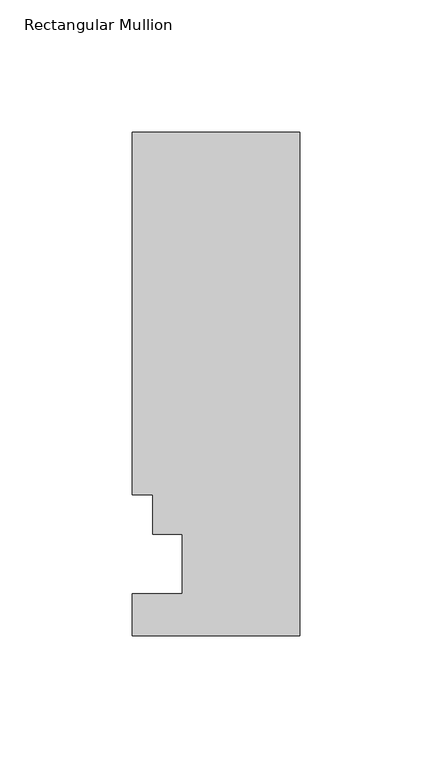
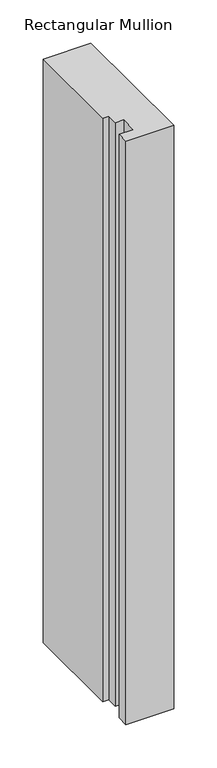
"""IFC4 building model written with IfcOpenShell, lengths in millimetres: member geometry, Rectangular Mullion."""

from ifc_helpers import new_model, si_unit, frame, origin, place, context, project, spatial, polyline, outline, extrude, source, transform, mapped, element, save


def rectangular_mullion_cb185640(model_context):
    return source(origin(), model_context, "Body", "SweptSolid", [
        extrude(outline(polyline([(0.0, 152.4992187), (0.0, -38.2293813), (-63.5, -38.2293813), (-63.5, -22.3797813), (-44.45, -22.3797813), (-44.45, 0.0992188), (-55.5752, 0.0992188), (-55.5752, 15.1614187), (-63.5, 15.1614187), (-63.5, 152.4992188), (0.0, 152.4992187)])), frame((0.0, 0.0, -821.7872584), z_axis=(0.0, 0.0, 1.0), x_axis=(1.0, 0.0, 0.0)), (0.0, 0.0, 1.0), 821.7872584),
    ])


if __name__ == "__main__":
    model = new_model("IFC4")
    model_context = context("Model", 3, world=origin())
    ifc_project = project(units=[si_unit("LENGTHUNIT", "METRE", prefix="MILLI")], contexts=[model_context])
    site = spatial("IfcSite", under=ifc_project)
    building = spatial("IfcBuilding", under=site)
    placement = place(None, origin())
    rectangular_mullion_shape = rectangular_mullion_cb185640(model_context)
    element("IfcMember", 1, ObjectType="Rectangular Mullion", at=placement, inside=building, context=model_context, shape_type="MappedRepresentation", body=[
        mapped(rectangular_mullion_shape, transform((0.0, 0.0, 0.0), x_axis=(1.0, 0.0, 0.0), y_axis=(0.0, 1.0, 0.0), z_axis=(0.0, 0.0, 1.0))),
    ])
    save(model, "model.ifc")
